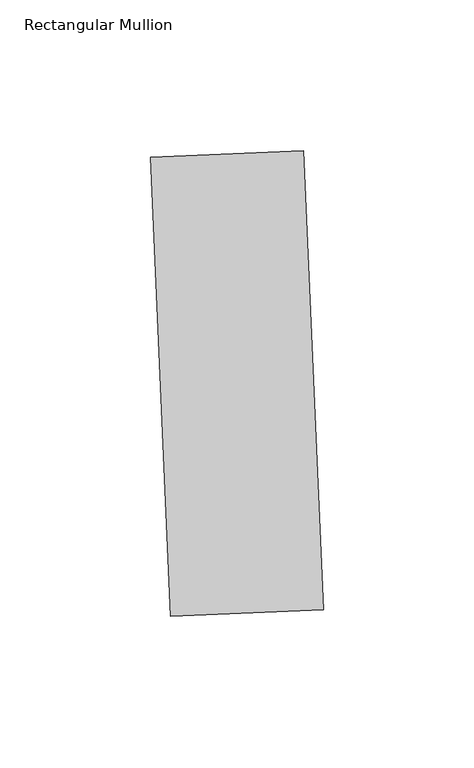
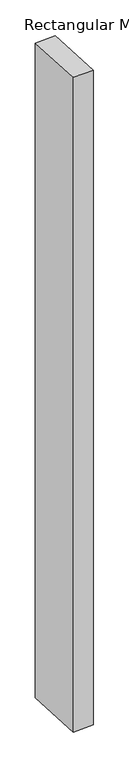
"""IFC4 building model written with IfcOpenShell, lengths in millimetres: member geometry, Rectangular Mullion."""

from ifc_helpers import new_model, si_unit, frame, origin, place, context, project, spatial, polyline, outline, extrude, source, transform, mapped, element, save


def rectangular_mullion_36659b18(model_context):
    return source(origin(), model_context, "Body", "SweptSolid", [
        extrude(outline(polyline([(30.7769955, -113.0742136), (-19.9746542, -115.2900785), (-26.6222488, 36.9648705), (24.1294008, 39.1807354), (30.7769955, -113.0742136)])), frame((0.0, 0.0, -1720.85), z_axis=(0.0, 0.0, 1.0), x_axis=(1.0, 0.0, 0.0)), (0.0, 0.0, 1.0), 1720.85),
    ])


if __name__ == "__main__":
    model = new_model("IFC4")
    model_context = context("Model", 3, world=origin())
    ifc_project = project(units=[si_unit("LENGTHUNIT", "METRE", prefix="MILLI")], contexts=[model_context])
    site = spatial("IfcSite", under=ifc_project)
    building = spatial("IfcBuilding", under=site)
    placement = place(None, origin())
    rectangular_mullion_shape = rectangular_mullion_36659b18(model_context)
    element("IfcMember", 1, ObjectType="Rectangular Mullion", at=placement, inside=building, context=model_context, shape_type="MappedRepresentation", body=[
        mapped(rectangular_mullion_shape, transform((0.0, 0.0, 0.0), x_axis=(1.0, 0.0, 0.0), y_axis=(0.0, 1.0, 0.0), z_axis=(0.0, 0.0, 1.0))),
    ])
    save(model, "model.ifc")
